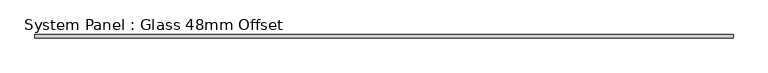
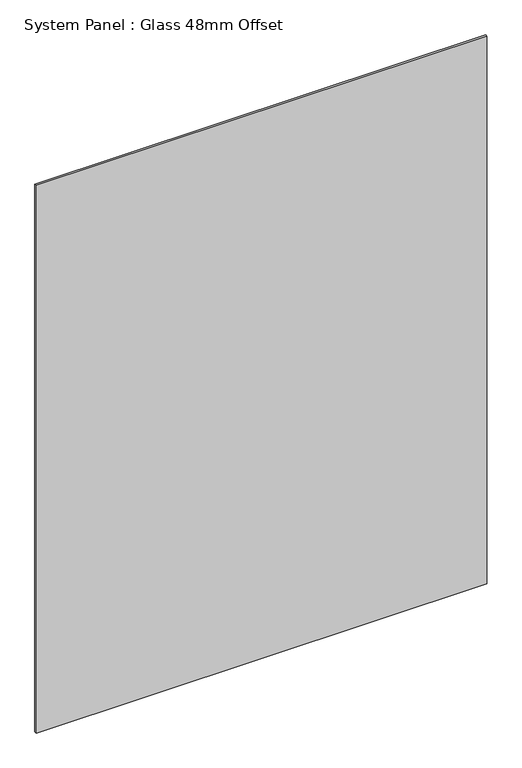
"""IFC4 building model written with IfcOpenShell, lengths in millimetres: plate geometry, System Panel : Glass 48mm Offset."""

from ifc_helpers import new_model, si_unit, origin, origin_with_axes, place, context, project, spatial, polyline, outline, extrude, source, transform, mapped, element, save


def system_panel_glass_48mm_offset_9b49f56b(model_context):
    return source(origin(), model_context, "Body", "SweptSolid", [
        extrude(outline(polyline([(990.7960343, -53.0), (-990.7960343, -53.0), (-990.7960343, -43.0), (990.7960343, -43.0), (990.7960343, -53.0)])), origin_with_axes(), (0.0, 0.0, 1.0), 2545.0),
    ])


if __name__ == "__main__":
    model = new_model("IFC4")
    model_context = context("Model", 3, world=origin())
    ifc_project = project(units=[si_unit("LENGTHUNIT", "METRE", prefix="MILLI")], contexts=[model_context])
    site = spatial("IfcSite", under=ifc_project)
    building = spatial("IfcBuilding", under=site)
    placement = place(None, origin())
    system_panel_glass_48mm_offset_shape = system_panel_glass_48mm_offset_9b49f56b(model_context)
    element("IfcPlate", 1, ObjectType="System Panel : Glass 48mm Offset", at=placement, inside=building, context=model_context, shape_type="MappedRepresentation", body=[
        mapped(system_panel_glass_48mm_offset_shape, transform((0.0, 0.0, 0.0), x_axis=(1.0, 0.0, 0.0), y_axis=(0.0, 1.0, 0.0), z_axis=(0.0, 0.0, 1.0))),
    ])
    save(model, "model.ifc")
